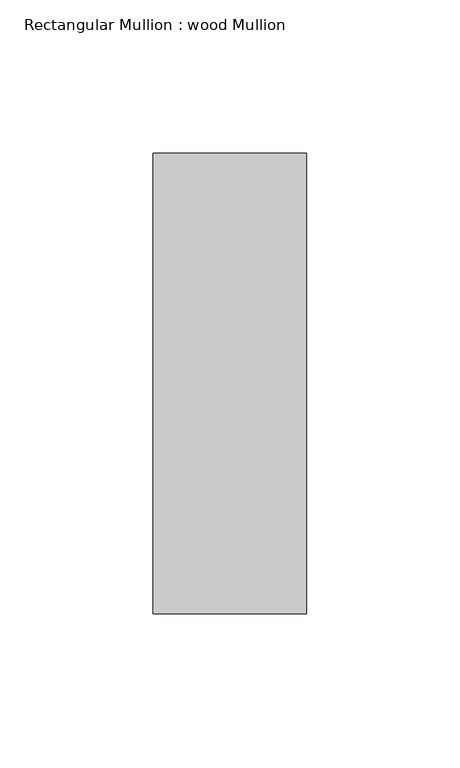
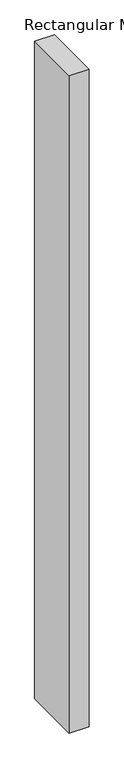
"""IFC4 building model written with IfcOpenShell, lengths in millimetres: member geometry, Rectangular Mullion : wood Mullion."""

import ifcopenshell
import ifcopenshell.guid

model = None  # the IFC model being written
_history = None  # IfcOwnerHistory: only IFC2X3 demands one
_inside = {}  # id of a spatial element -> (the spatial element, [elements in it])
_under = {}  # id of a project, library or spatial element -> (it, [spatial elements below it])
_declared = {}  # id of a project -> (the project, [libraries it declares])
_typed = {}  # id of a type object -> (the type object, [elements of that type])
_made_of = {}  # id of a material, layer set ... -> (it, [elements and type objects made of it])


def new_model(schema):
    """Start an empty IFC model of exactly this schema.

    Asked for "IFC4X3", IfcOpenShell would pick the latest addendum, in which some entities
    have other attributes; the version numbers below select the first issue.
    IFC2X3 requires an IfcOwnerHistory on every rooted entity: one is made here for all.
    """
    global model, _history
    if schema == "IFC4X3":
        model = ifcopenshell.file(schema_version=(4, 3, 0, 0))
    else:
        model = ifcopenshell.file(schema=schema)
    _inside.clear()
    _under.clear()
    _declared.clear()
    _typed.clear()
    _made_of.clear()
    _history = None
    if model.schema == "IFC2X3":
        org = make("IfcOrganization", Name="unknown")
        user = make(
            "IfcPersonAndOrganization",
            ThePerson=make("IfcPerson", FamilyName="unknown"),
            TheOrganization=org,
        )
        app = make(
            "IfcApplication",
            ApplicationDeveloper=org,
            Version="unknown",
            ApplicationFullName="unknown",
            ApplicationIdentifier="unknown",
        )
        _history = make(
            "IfcOwnerHistory",
            OwningUser=user,
            OwningApplication=app,
            ChangeAction="ADDED",
            CreationDate=0,
        )
    return model


def make(cls, **values):
    """One entity of the class cls with the attributes given. An attribute that is None is left unset."""
    return model.create_entity(
        cls, **{name: value for name, value in values.items() if value is not None}
    )


def rooted(cls, **values):
    """An entity with a GlobalId (a new one), such as an element, a storey or a relation."""
    return make(cls, GlobalId=ifcopenshell.guid.new(), OwnerHistory=_history, **values)


def si_unit(unit_type, name, prefix=None):
    """IfcSIUnit, for example si_unit("LENGTHUNIT", "METRE", prefix="MILLI")."""
    return make("IfcSIUnit", UnitType=unit_type, Prefix=prefix, Name=name)


def assignment(units):
    """IfcUnitAssignment: the units of a project."""
    return None if units is None else make("IfcUnitAssignment", Units=units)


def point(xyz):
    """IfcCartesianPoint."""
    return None if xyz is None else make("IfcCartesianPoint", Coordinates=xyz)


def direction(xyz):
    """IfcDirection."""
    return None if xyz is None else make("IfcDirection", DirectionRatios=xyz)


def frame(location, z_axis=None, x_axis=None):
    """IfcAxis2Placement3D, a coordinate frame: its origin and axes. An axis left out is left unset."""
    return make(
        "IfcAxis2Placement3D",
        Location=point(location),
        Axis=direction(z_axis),
        RefDirection=direction(x_axis),
    )


def origin():
    """The frame at (0, 0, 0) with its axes left unset."""
    return frame((0.0, 0.0, 0.0))


def place(relative_to, where):
    """IfcLocalPlacement: puts the frame where relative to a parent placement (None: the world)."""
    return make(
        "IfcLocalPlacement", PlacementRelTo=relative_to, RelativePlacement=where
    )


def context(
    kind, dimensions, precision=None, world=None, true_north=None, identifier=None
):
    """IfcGeometricRepresentationContext, for example the 3D "Model" context."""
    return make(
        "IfcGeometricRepresentationContext",
        ContextIdentifier=identifier,
        ContextType=kind,
        CoordinateSpaceDimension=dimensions,
        Precision=precision,
        WorldCoordinateSystem=world,
        TrueNorth=true_north,
    )


def project(units=None, contexts=None):
    """IfcProject with its units and contexts."""
    return rooted(
        "IfcProject",
        Name="project",
        RepresentationContexts=contexts,
        UnitsInContext=assignment(units),
    )


def spatial(cls, under=None, at=None, **own):
    """A site, building, storey or space (cls), placed at a placement, below another one or the project."""
    s = rooted(cls, ObjectPlacement=at, **own)
    if under is not None:
        _under.setdefault(under.id(), (under, []))[1].append(s)
    return s


def polyline(points):
    """IfcPolyline through the points."""
    return make("IfcPolyline", Points=[point(p) for p in points])


def outline(outer, holes=None, kind="AREA"):
    """IfcArbitraryClosedProfileDef: a profile drawn as a closed curve; with holes, ...WithVoids."""
    if holes is None:
        return make("IfcArbitraryClosedProfileDef", ProfileType=kind, OuterCurve=outer)
    return make(
        "IfcArbitraryProfileDefWithVoids",
        ProfileType=kind,
        OuterCurve=outer,
        InnerCurves=holes,
    )


def extrude(swept, where, along, depth):
    """IfcExtrudedAreaSolid: the profile swept, set in the frame where, extruded along a direction by depth."""
    return make(
        "IfcExtrudedAreaSolid",
        SweptArea=swept,
        Position=where,
        ExtrudedDirection=direction(along),
        Depth=depth,
    )


def shape(context_of_items, identifier, shape_type, items):
    """IfcShapeRepresentation: the items that make up one representation, for example the "Body"."""
    return make(
        "IfcShapeRepresentation",
        ContextOfItems=context_of_items,
        RepresentationIdentifier=identifier,
        RepresentationType=shape_type,
        Items=items,
    )


def source(mapping_origin, context_of_items, identifier, shape_type, items):
    """IfcRepresentationMap: a shape defined once, which mapped items show again and again."""
    return make(
        "IfcRepresentationMap",
        MappingOrigin=mapping_origin,
        MappedRepresentation=shape(context_of_items, identifier, shape_type, items),
    )


def transform(
    local_origin,
    x_axis=None,
    y_axis=None,
    z_axis=None,
    scale=None,
    scale2=None,
    scale3=None,
    uniform=True,
):
    """IfcCartesianTransformationOperator3D, or its non-uniform kind. x_axis, y_axis, z_axis: its Axis1, 2, 3."""
    if uniform:
        return make(
            "IfcCartesianTransformationOperator3D",
            Axis1=direction(x_axis),
            Axis2=direction(y_axis),
            LocalOrigin=point(local_origin),
            Scale=scale,
            Axis3=direction(z_axis),
        )
    return make(
        "IfcCartesianTransformationOperator3DnonUniform",
        Axis1=direction(x_axis),
        Axis2=direction(y_axis),
        LocalOrigin=point(local_origin),
        Scale=scale,
        Axis3=direction(z_axis),
        Scale2=scale2,
        Scale3=scale3,
    )


def mapped(mapping_source, mapping_target):
    """IfcMappedItem: shows the shape of a source again, moved by a transform."""
    return make(
        "IfcMappedItem", MappingSource=mapping_source, MappingTarget=mapping_target
    )


def made_of(thing, what):
    """Note that an element or type object is made of a material, layer set ...; save() writes the relation."""
    if what is not None:
        _made_of.setdefault(what.id(), (what, []))[1].append(thing)
    return thing


def element(
    cls,
    number,
    at=None,
    inside=None,
    cuts=None,
    type_object=None,
    material=None,
    context=None,
    identifier="Body",
    shape_type=None,
    held_by="IfcProductDefinitionShape",
    body=None,
    shapes=None,
    **own,
):
    """One element of the class cls, such as IfcWall. Its Tag is "e" and its number.

    at: its placement. inside: the storey or other place that contains it. cuts: it is an
    opening in that element (IfcRelVoidsElement). A single representation is given by context,
    identifier, shape_type and body (its items); several are given by shapes. held_by: the class
    of the entity that holds the representations. save() writes the other relations.
    """
    e = rooted(cls, Tag="e%d" % number, ObjectPlacement=at, **own)
    if body is not None:
        shapes = [shape(context, identifier, shape_type, body)]
    if shapes is not None:
        e.Representation = make(held_by, Representations=shapes)
    if inside is not None:
        _inside.setdefault(inside.id(), (inside, []))[1].append(e)
    if cuts is not None:
        rooted(
            "IfcRelVoidsElement", RelatingBuildingElement=cuts, RelatedOpeningElement=e
        )
    if type_object is not None:
        _typed.setdefault(type_object.id(), (type_object, []))[1].append(e)
    return made_of(e, material)


def aggregate(whole, parts):
    """IfcRelAggregates: a whole, such as a stair, and the parts it consists of."""
    return rooted("IfcRelAggregates", RelatingObject=whole, RelatedObjects=parts)


def save(model, path):
    """Write the relations noted so far, then the file.

    IfcRelAggregates (storeys below a building ...), IfcRelContainedInSpatialStructure (elements
    in a storey), IfcRelDefinesByType, IfcRelAssociatesMaterial and IfcRelDeclares: one each for
    every whole, place, type object, material and project.
    """
    for whole, parts in _under.values():
        aggregate(whole, parts)
    for where, things in _inside.values():
        rooted(
            "IfcRelContainedInSpatialStructure",
            RelatedElements=things,
            RelatingStructure=where,
        )
    for kind, things in _typed.values():
        rooted("IfcRelDefinesByType", RelatedObjects=things, RelatingType=kind)
    for what, things in _made_of.values():
        rooted("IfcRelAssociatesMaterial", RelatedObjects=things, RelatingMaterial=what)
    for by, libraries in _declared.values():
        rooted("IfcRelDeclares", RelatingContext=by, RelatedDefinitions=libraries)
    model.write(path)


def rectangular_mullion_wood_mullion_b0538301(model_context):
    return source(origin(), model_context, "Body", "SweptSolid", [
        extrude(outline(polyline([(25.0, 75.0), (25.0, -75.0), (-25.0, -75.0), (-25.0, 75.0), (25.0, 75.0)])), frame((0.0, 0.0, -1750.0), z_axis=(0.0, 0.0, 1.0), x_axis=(1.0, 0.0, 0.0)), (0.0, 0.0, 1.0), 1750.0),
    ])


if __name__ == "__main__":
    model = new_model("IFC4")
    model_context = context("Model", 3, world=origin())
    ifc_project = project(units=[si_unit("LENGTHUNIT", "METRE", prefix="MILLI")], contexts=[model_context])
    site = spatial("IfcSite", under=ifc_project)
    building = spatial("IfcBuilding", under=site)
    placement = place(None, origin())
    rectangular_mullion_wood_mullion_shape = rectangular_mullion_wood_mullion_b0538301(model_context)
    element("IfcMember", 1, ObjectType="Rectangular Mullion : wood Mullion", at=placement, inside=building, context=model_context, shape_type="MappedRepresentation", body=[
        mapped(rectangular_mullion_wood_mullion_shape, transform((0.0, 0.0, 0.0), x_axis=(1.0, 0.0, 0.0), y_axis=(0.0, 1.0, 0.0), z_axis=(0.0, 0.0, 1.0))),
    ])
    save(model, "model.ifc")
